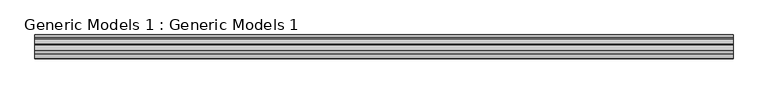
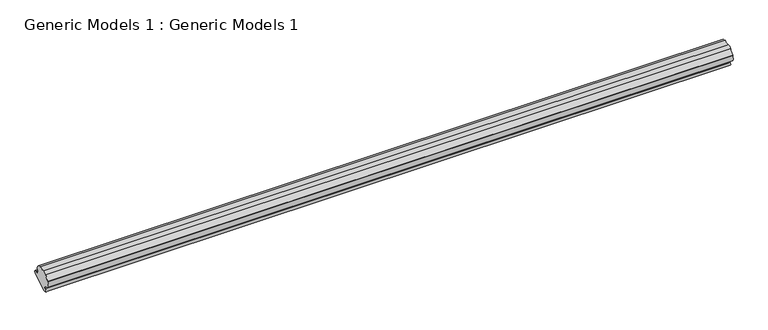
"""IFC4 building model written with IfcOpenShell, lengths in millimetres: proxy geometry, Generic Models 1 : Generic Models 1."""

from ifc_helpers import new_model, si_unit, point, frame, frame_2d, origin, place, context, project, spatial, polyline, circle_curve, trimmed, segment, composite_curve, outline, extrude, source, transform, mapped, element, save


def generic_models_1_generic_models_1_99b59f02(model_context):
    return source(origin(), model_context, "Body", "SweptSolid", [
        extrude(outline(composite_curve([segment(trimmed(circle_curve(frame_2d((1888.9031687, 1391.9293298)), 14.3884327), [point((1892.829151, 1378.0868712))], [point((1878.1826867, 1401.5261137))], False, "CARTESIAN"), True, "CONTINUOUS"), segment(polyline([(1878.1826867, 1401.5261137), (1877.2436939, 1404.1059752)]), True, "CONTINUOUS"), segment(trimmed(circle_curve(frame_2d((1865.9118587, 1426.8502613)), 25.4108842), [point((1877.2436939, 1404.1059752))], [point((1890.5151485, 1420.4948568))], True, "CARTESIAN"), True, "CONTINUOUS"), segment(trimmed(circle_curve(frame_2d((1907.8452463, 1406.0204426)), 22.579658), [point((1890.5151485, 1420.4948568))], [point((1903.9750847, 1428.2659546))], False, "CARTESIAN"), True, "CONTINUOUS"), segment(trimmed(circle_curve(frame_2d((1910.7727879, 1452.7507309)), 25.4108842), [point((1903.9750847, 1428.2659546))], [point((1924.8039998, 1431.5649306))], True, "CARTESIAN"), True, "CONTINUOUS"), segment(polyline([(1924.8039998, 1431.5649306), (1926.5687291, 1429.4618082)]), True, "CONTINUOUS"), segment(trimmed(circle_curve(frame_2d((1929.5195467, 1415.3792065)), 14.3884327), [point((1926.5687291, 1429.4618082))], [point((1939.5444764, 1405.0579769))], False, "CARTESIAN"), True, "CONTINUOUS"), segment(polyline([(1939.5444764, 1405.0579769), (1944.3598536, 1396.7174988), (1949.7663469, 1398.1167001)]), True, "CONTINUOUS"), segment(trimmed(circle_curve(frame_2d((1952.9413469, 1392.6174388)), 6.35), [point((1949.7663469, 1398.1167001))], [point((1956.1163469, 1387.1181775))], False, "CARTESIAN"), True, "CONTINUOUS"), segment(polyline([(1956.1163469, 1387.1181775), (1900.0795377, 1354.7653106)]), True, "CONTINUOUS"), segment(trimmed(circle_curve(frame_2d((1896.9045377, 1360.264572)), 6.35), [point((1900.0795377, 1354.7653106))], [point((1893.7295377, 1365.7638333))], False, "CARTESIAN"), True, "CONTINUOUS"), segment(polyline([(1893.7295377, 1365.7638333), (1897.6445282, 1369.7463931), (1892.829151, 1378.0868712)]), True, "CONTINUOUS")], self_intersect=False)), frame((-5241.4129645, 0.0, 0.0), z_axis=(1.0, 0.0, 0.0), x_axis=(0.0, 1.0, 0.0)), (0.0, 0.0, 1.0), 2468.2026682),
    ])


if __name__ == "__main__":
    model = new_model("IFC4")
    model_context = context("Model", 3, world=origin())
    ifc_project = project(units=[si_unit("LENGTHUNIT", "METRE", prefix="MILLI")], contexts=[model_context])
    site = spatial("IfcSite", under=ifc_project)
    building = spatial("IfcBuilding", under=site)
    placement = place(None, origin())
    generic_models_1_generic_models_1_shape = generic_models_1_generic_models_1_99b59f02(model_context)
    element("IfcBuildingElementProxy", 1, Name="Generic Models 1 : Generic Models 1", ObjectType="Generic Models 1 : Generic Models 1", at=placement, inside=building, context=model_context, shape_type="MappedRepresentation", body=[
        mapped(generic_models_1_generic_models_1_shape, transform((0.0, 0.0, 0.0), x_axis=(1.0, 0.0, 0.0), y_axis=(0.0, 1.0, 0.0), z_axis=(0.0, 0.0, 1.0))),
    ])
    save(model, "model.ifc")
